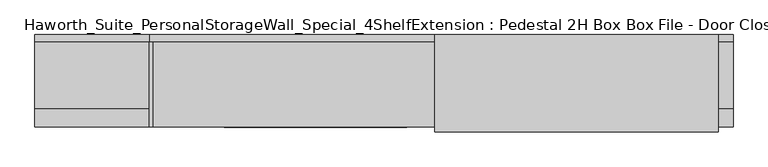
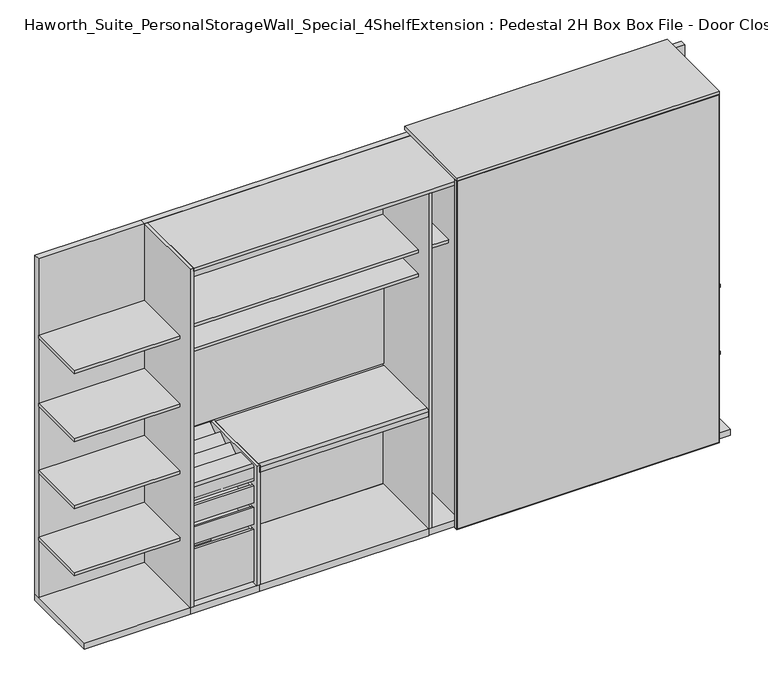
"""IFC4 building model written with IfcOpenShell, lengths in millimetres: furniture geometry, Haworth_Suite_PersonalStorageWall_Special_4ShelfExtension : Pedestal 2H Box Box File - Door Closed."""

from ifc_helpers import new_model, si_unit, point, frame, frame_2d, origin, origin_with_axes, place, context, project, spatial, polyline, circle_curve, trimmed, segment, composite_curve, outline, extrude, source, transform, mapped, element, save


def haworth_suite_personalstoragewall_special_4shelfextension_b0726835(model_context):
    return source(origin(), model_context, "Body", "SweptSolid", [
        extrude(outline(polyline([(1070.371875, -202.4059418), (-199.628125, -202.4059418), (-199.628125, -151.6059418), (1070.371875, -151.6059418), (1070.371875, -202.4059418)])), frame((0.0, 0.0, 1127.125), z_axis=(0.0, 0.0, 1.0), x_axis=(1.0, 0.0, 0.0)), (0.0, 0.0, 1.0), 711.2),
        extrude(outline(polyline([(2077.24375, -352.425), (0.0, -352.425), (1.5875, -350.8375), (2075.65625, -350.8375), (2077.24375, -352.425)])), frame((0.0, -622.3, 0.0), z_axis=(0.0, 1.0, 0.0), x_axis=(0.0, 0.0, 1.0)), (0.0, 0.0, 1.0), 19.05),
        extrude(outline(polyline([(2077.24375, 1128.7125), (2075.65625, 1127.125), (1.5875, 1127.125), (0.0, 1128.7125), (2077.24375, 1128.7125)])), frame((0.0, -622.3, 0.0), z_axis=(0.0, 1.0, 0.0), x_axis=(0.0, 0.0, 1.0)), (0.0, 0.0, 1.0), 19.05),
        extrude(outline(polyline([(2075.65625, -350.8375), (2075.65625, 1127.125), (2077.24375, 1128.7125), (2077.24375, -352.425), (2075.65625, -350.8375)])), frame((0.0, -622.3, 0.0), z_axis=(0.0, 1.0, 0.0), x_axis=(0.0, 0.0, 1.0)), (0.0, 0.0, 1.0), 19.05),
        extrude(outline(polyline([(1.5875, -350.8375), (0.0, -352.425), (0.0, 1128.7125), (1.5875, 1127.125), (1.5875, -350.8375)])), frame((0.0, -622.3, 0.0), z_axis=(0.0, 1.0, 0.0), x_axis=(0.0, 0.0, 1.0)), (0.0, 0.0, 1.0), 19.05),
        extrude(outline(polyline([(1127.125, -604.04375), (1127.125, -621.50625), (-350.8375, -621.50625), (-350.8375, -604.04375), (1127.125, -604.04375)])), frame((0.0, 0.0, 1.5875), z_axis=(0.0, 0.0, 1.0), x_axis=(1.0, 0.0, 0.0)), (0.0, 0.0, 1.0), 2074.06875),
        extrude(outline(polyline([(-1485.9, -567.5309387), (-1485.9, -186.5309387), (-1473.2, -186.5309387), (-1473.2, -567.5309387), (-1485.9, -567.5309387)])), frame((0.0, 0.0, 527.05), z_axis=(0.0, 0.0, 1.0), x_axis=(1.0, 0.0, 0.0)), (0.0, 0.0, 1.0), 101.6),
        extrude(outline(polyline([(-1822.45, -186.5309387), (-1809.75, -186.5309387), (-1809.75, -567.5309387), (-1822.45, -567.5309387), (-1822.45, -186.5309387)])), frame((0.0, 0.0, 527.05), z_axis=(0.0, 0.0, 1.0), x_axis=(1.0, 0.0, 0.0)), (0.0, 0.0, 1.0), 101.6),
        extrude(outline(polyline([(-1822.45, -186.5309387), (-1822.45, -173.8309387), (-1473.2, -173.8309387), (-1473.2, -186.5309387), (-1822.45, -186.5309387)])), frame((0.0, 0.0, 527.05), z_axis=(0.0, 0.0, 1.0), x_axis=(1.0, 0.0, 0.0)), (0.0, 0.0, 1.0), 101.6),
        extrude(outline(polyline([(-1822.45, -580.2309387), (-1822.45, -567.5309387), (-1473.2, -567.5309387), (-1473.2, -580.2309387), (-1822.45, -580.2309387)])), frame((0.0, 0.0, 527.05), z_axis=(0.0, 0.0, 1.0), x_axis=(1.0, 0.0, 0.0)), (0.0, 0.0, 1.0), 101.6),
        extrude(outline(polyline([(-1809.75, -567.5309387), (-1809.75, -186.5309387), (-1485.9, -186.5309387), (-1485.9, -567.5309387), (-1809.75, -567.5309387)])), frame((0.0, 0.0, 527.05), z_axis=(0.0, 0.0, 1.0), x_axis=(1.0, 0.0, 0.0)), (0.0, 0.0, 1.0), 12.7),
        extrude(outline(polyline([(-148.4309387, 749.3), (-147.2970101, 748.1660714), (-248.8970101, 671.9660714), (-250.0309387, 673.1), (-148.4309387, 749.3)])), frame((-1822.45, 0.0, 0.0), z_axis=(1.0, 0.0, 0.0), x_axis=(0.0, 1.0, 0.0)), (0.0, 0.0, 1.0), 349.25),
        extrude(outline(polyline([(-351.6309387, 749.3), (-350.4970101, 748.1660714), (-452.0970101, 671.9660714), (-453.2309387, 673.1), (-351.6309387, 749.3)])), frame((-1822.45, 0.0, 0.0), z_axis=(1.0, 0.0, 0.0), x_axis=(0.0, 1.0, 0.0)), (0.0, 0.0, 1.0), 349.25),
        extrude(outline(polyline([(0.0, -127.0), (0.0, 0.0), (349.25, 0.0), (349.25, -127.0), (0.0, -127.0)])), frame((-1822.45, -249.0784387, 748.03), z_axis=(0.0, -0.5999999999999731, 0.8000000000000203), x_axis=(1.0, 0.0, 0.0)), (0.0, 0.0, 1.0), 1.5875),
        extrude(outline(polyline([(-1822.45, -578.6434387), (-1822.45, -148.4309387), (-1473.2, -148.4309387), (-1473.2, -578.6434387), (-1822.45, -578.6434387)])), frame((0.0, 0.0, 657.225), z_axis=(0.0, 0.0, 1.0), x_axis=(1.0, 0.0, 0.0)), (0.0, 0.0, 1.0), 15.875),
        extrude(outline(composite_curve([segment(trimmed(circle_curve(frame_2d((-567.5309387, 738.1875)), 12.7), [point((-580.2309387, 738.1875))], [point((-567.5309387, 750.8875))], False, "CARTESIAN"), True, "CONTINUOUS"), segment(polyline([(-567.5309387, 750.8875), (-453.2309387, 750.8875), (-453.2309387, 749.3), (-567.5309387, 749.3)]), True, "CONTINUOUS"), segment(trimmed(circle_curve(frame_2d((-567.5309387, 738.1875)), 11.1125), [point((-567.5309387, 749.3))], [point((-578.6434387, 738.1875))], True, "CARTESIAN"), True, "CONTINUOUS"), segment(polyline([(-578.6434387, 738.1875), (-578.6434387, 657.225), (-580.2309387, 657.225), (-580.2309387, 738.1875)]), True, "CONTINUOUS")], self_intersect=False)), frame((-1822.45, 0.0, 0.0), z_axis=(1.0, 0.0, 0.0), x_axis=(0.0, 1.0, 0.0)), (0.0, 0.0, 1.0), 349.25),
        extrude(outline(polyline([(-304.4825, 720.725), (-304.4825, 479.425), (-153.9875, 479.425), (-153.9875, 504.825), (-152.4, 504.825), (-152.4, 477.8375), (-306.07, 477.8375), (-306.07, 719.1375), (-329.8825, 719.1375), (-329.8825, 720.725), (-304.4825, 720.725)])), frame((-1449.387527, 0.0, 0.0), z_axis=(1.0, 0.0, 0.0), x_axis=(0.0, 1.0, 0.0)), (0.0, 0.0, 1.0), 952.5),
        extrude(outline(polyline([(-598.4875, 0.0), (-598.4875, 39.6875), (-152.4, 39.6875), (-152.4, 38.1), (-596.9, 38.1), (-596.9, 0.0), (-598.4875, 0.0)])), frame((-1449.387527, 0.0, 0.0), z_axis=(1.0, 0.0, 0.0), x_axis=(0.0, 1.0, 0.0)), (0.0, 0.0, 1.0), 952.5),
        extrude(outline(composite_curve([segment(trimmed(circle_curve(frame_2d((-582.6125, 738.1875)), 12.7), [point((-595.3125, 738.1875))], [point((-582.6125, 750.8875))], False, "CARTESIAN"), True, "CONTINUOUS"), segment(polyline([(-582.6125, 750.8875), (-163.5125, 750.8875), (-163.5125, 749.3), (-582.6125, 749.3)]), True, "CONTINUOUS"), segment(trimmed(circle_curve(frame_2d((-582.6125, 738.1875)), 11.1125), [point((-582.6125, 749.3))], [point((-593.725, 738.1875))], True, "CARTESIAN"), True, "CONTINUOUS"), segment(polyline([(-593.725, 738.1875), (-593.725, 708.025), (-595.3125, 708.025), (-595.3125, 738.1875)]), True, "CONTINUOUS")], self_intersect=False)), frame((-1449.387527, 0.0, 0.0), z_axis=(1.0, 0.0, 0.0), x_axis=(0.0, 1.0, 0.0)), (0.0, 0.0, 1.0), 952.5),
        extrude(outline(polyline([(-1485.9, -567.5309387), (-1485.9, -186.5309387), (-1473.2, -186.5309387), (-1473.2, -567.5309387), (-1485.9, -567.5309387)])), frame((0.0, 0.0, 396.875), z_axis=(0.0, 0.0, 1.0), x_axis=(1.0, 0.0, 0.0)), (0.0, 0.0, 1.0), 101.6),
        extrude(outline(polyline([(-1822.45, -186.5309387), (-1809.75, -186.5309387), (-1809.75, -567.5309387), (-1822.45, -567.5309387), (-1822.45, -186.5309387)])), frame((0.0, 0.0, 396.875), z_axis=(0.0, 0.0, 1.0), x_axis=(1.0, 0.0, 0.0)), (0.0, 0.0, 1.0), 101.6),
        extrude(outline(polyline([(-1822.45, -186.5309387), (-1822.45, -173.8309387), (-1473.2, -173.8309387), (-1473.2, -186.5309387), (-1822.45, -186.5309387)])), frame((0.0, 0.0, 396.875), z_axis=(0.0, 0.0, 1.0), x_axis=(1.0, 0.0, 0.0)), (0.0, 0.0, 1.0), 101.6),
        extrude(outline(polyline([(-1822.45, -580.2309387), (-1822.45, -567.5309387), (-1473.2, -567.5309387), (-1473.2, -580.2309387), (-1822.45, -580.2309387)])), frame((0.0, 0.0, 396.875), z_axis=(0.0, 0.0, 1.0), x_axis=(1.0, 0.0, 0.0)), (0.0, 0.0, 1.0), 101.6),
        extrude(outline(polyline([(-1809.75, -567.5309387), (-1809.75, -186.5309387), (-1485.9, -186.5309387), (-1485.9, -567.5309387), (-1809.75, -567.5309387)])), frame((0.0, 0.0, 396.875), z_axis=(0.0, 0.0, 1.0), x_axis=(1.0, 0.0, 0.0)), (0.0, 0.0, 1.0), 12.7),
        extrude(outline(polyline([(-1485.9, -567.5309387), (-1485.9, -186.5309387), (-1473.2, -186.5309387), (-1473.2, -567.5309387), (-1485.9, -567.5309387)])), frame((0.0, 0.0, 57.15), z_axis=(0.0, 0.0, 1.0), x_axis=(1.0, 0.0, 0.0)), (0.0, 0.0, 1.0), 311.15),
        extrude(outline(polyline([(-1822.45, -186.5309387), (-1809.75, -186.5309387), (-1809.75, -567.5309387), (-1822.45, -567.5309387), (-1822.45, -186.5309387)])), frame((0.0, 0.0, 57.15), z_axis=(0.0, 0.0, 1.0), x_axis=(1.0, 0.0, 0.0)), (0.0, 0.0, 1.0), 311.15),
        extrude(outline(polyline([(-1822.45, -186.5309387), (-1822.45, -173.8309387), (-1473.2, -173.8309387), (-1473.2, -186.5309387), (-1822.45, -186.5309387)])), frame((0.0, 0.0, 57.15), z_axis=(0.0, 0.0, 1.0), x_axis=(1.0, 0.0, 0.0)), (0.0, 0.0, 1.0), 311.15),
        extrude(outline(polyline([(-1822.45, -580.2309387), (-1822.45, -567.5309387), (-1473.2, -567.5309387), (-1473.2, -580.2309387), (-1822.45, -580.2309387)])), frame((0.0, 0.0, 57.15), z_axis=(0.0, 0.0, 1.0), x_axis=(1.0, 0.0, 0.0)), (0.0, 0.0, 1.0), 311.15),
        extrude(outline(polyline([(-1809.75, -567.5309387), (-1809.75, -186.5309387), (-1485.9, -186.5309387), (-1485.9, -567.5309387), (-1809.75, -567.5309387)])), frame((0.0, 0.0, 57.15), z_axis=(0.0, 0.0, 1.0), x_axis=(1.0, 0.0, 0.0)), (0.0, 0.0, 1.0), 12.7),
        extrude(outline(polyline([(-1841.5, -149.5975372), (-1841.5, -498.475), (-2439.0788456, -498.475), (-2439.0788456, -149.5975372), (-1841.5, -149.5975372)])), frame((0.0, 0.0, 1583.53125), z_axis=(0.0, 0.0, 1.0), x_axis=(1.0, 0.0, 0.0)), (0.0, 0.0, 1.0), 18.25625),
        extrude(outline(polyline([(-1841.5, -149.5975372), (-1841.5, -498.475), (-2439.0788456, -498.475), (-2439.0788456, -149.5975372), (-1841.5, -149.5975372)])), frame((0.0, 0.0, 1177.925), z_axis=(0.0, 0.0, 1.0), x_axis=(1.0, 0.0, 0.0)), (0.0, 0.0, 1.0), 18.25625),
        extrude(outline(polyline([(-1841.5, -149.5975372), (-1841.5, -498.475), (-2439.0788456, -498.475), (-2439.0788456, -149.5975372), (-1841.5, -149.5975372)])), frame((0.0, 0.0, 778.66875), z_axis=(0.0, 0.0, 1.0), x_axis=(1.0, 0.0, 0.0)), (0.0, 0.0, 1.0), 18.25625),
        extrude(outline(polyline([(-1841.5, -149.5975372), (-1841.5, -498.475), (-2439.0788456, -498.475), (-2439.0788456, -149.5975372), (-1841.5, -149.5975372)])), frame((0.0, 0.0, 778.66875), z_axis=(0.0, 0.0, 1.0), x_axis=(1.0, 0.0, 0.0)), (0.0, 0.0, 1.0), 18.25625),
        extrude(outline(polyline([(-1841.5, -149.5975372), (-1841.5, -498.475), (-2439.0788456, -498.475), (-2439.0788456, -149.5975372), (-1841.5, -149.5975372)])), frame((0.0, 0.0, 379.4125), z_axis=(0.0, 0.0, 1.0), x_axis=(1.0, 0.0, 0.0)), (0.0, 0.0, 1.0), 18.25625),
        extrude(outline(polyline([(-1841.5, -114.3), (-1841.5, -149.5975372), (-2439.0788456, -149.5975372), (-2439.0788456, -114.3), (-1841.5, -114.3)])), frame((0.0, 0.0, 38.1), z_axis=(0.0, 0.0, 1.0), x_axis=(1.0, 0.0, 0.0)), (0.0, 0.0, 1.0), 2020.09375),
        extrude(outline(polyline([(-1841.5, -114.3), (-1841.5, -596.9), (-2439.0788456, -596.9), (-2439.0788456, -114.3), (-1841.5, -114.3)])), origin_with_axes(), (0.0, 0.0, 1.0), 38.1),
        extrude(outline(polyline([(2058.19375, 1206.5), (2058.19375, -1841.5), (38.1, -1841.5), (38.1, 1206.5), (2058.19375, 1206.5)]), holes=[polyline([(161.0999959, -1771.6000015), (567.4999898, -1771.6000015), (567.4999898, -1568.3999909), (161.0999959, -1568.3999909), (161.0999959, -1771.6000015)]), polyline([(504.000014, -1238.2500121), (504.000014, -1435.0999879), (643.7000261, -1435.0999879), (643.7000261, -1238.2500121), (504.000014, -1238.2500121)])]), frame((0.0, -149.5975372, 0.0), z_axis=(0.0, 1.0, 0.0), x_axis=(0.0, 0.0, 1.0)), (0.0, 0.0, 1.0), 35.2975372),
        extrude(outline(polyline([(-327.025, -149.5975372), (-327.025, -596.9), (-1822.45, -596.9), (-1822.45, -149.5975372), (-327.025, -149.5975372)])), frame((0.0, 0.0, 2039.14375), z_axis=(0.0, 0.0, 1.0), x_axis=(1.0, 0.0, 0.0)), (0.0, 0.0, 1.0), 19.05),
        extrude(outline(polyline([(-307.2032339, -596.9), (-326.2532339, -596.9), (-326.2532339, -149.5975372), (-307.2032339, -149.5975372), (-307.2032339, -596.9)])), frame((0.0, 0.0, 38.1), z_axis=(0.0, 0.0, 1.0), x_axis=(1.0, 0.0, 0.0)), (0.0, 0.0, 1.0), 2020.09375),
        extrude(outline(polyline([(-326.2532339, -149.5975372), (-326.2532339, -498.475), (-477.8375, -498.475), (-477.8375, -149.5975372), (-326.2532339, -149.5975372)])), frame((0.0, 0.0, 1627.1875), z_axis=(0.0, 0.0, 1.0), x_axis=(1.0, 0.0, 0.0)), (0.0, 0.0, 1.0), 18.2561531),
        extrude(outline(polyline([(-1822.45, -596.9), (-1841.5, -596.9), (-1841.5, -149.5975372), (-1822.45, -149.5975372), (-1822.45, -596.9)])), frame((0.0, 0.0, 38.1), z_axis=(0.0, 0.0, 1.0), x_axis=(1.0, 0.0, 0.0)), (0.0, 0.0, 1.0), 2020.09375),
        extrude(outline(polyline([(-496.8875, -149.5975372), (-496.8875, -163.5125), (-1809.75, -163.5125), (-1809.75, -149.5975372), (-496.8875, -149.5975372)])), frame((0.0, 0.0, 764.4777447), z_axis=(0.0, 0.0, 1.0), x_axis=(1.0, 0.0, 0.0)), (0.0, 0.0, 1.0), 701.1622827),
        extrude(outline(polyline([(-496.8875, -149.5975372), (-496.8875, -498.475), (-1822.45, -498.475), (-1822.45, -149.5975372), (-496.8875, -149.5975372)])), frame((0.0, 0.0, 1481.93125), z_axis=(0.0, 0.0, 1.0), x_axis=(1.0, 0.0, 0.0)), (0.0, 0.0, 1.0), 18.2562984),
        extrude(outline(polyline([(-496.8875, -149.5975372), (-496.8875, -498.475), (-1822.45, -498.475), (-1822.45, -149.5975372), (-496.8875, -149.5975372)])), frame((0.0, 0.0, 1627.1875), z_axis=(0.0, 0.0, 1.0), x_axis=(1.0, 0.0, 0.0)), (0.0, 0.0, 1.0), 18.2561531),
        extrude(outline(polyline([(1206.5, -149.5975372), (1206.5, -498.475), (-307.2032339, -498.475), (-307.2032339, -149.5975372), (1206.5, -149.5975372)])), frame((0.0, 0.0, 823.6154732), z_axis=(0.0, 0.0, 1.0), x_axis=(1.0, 0.0, 0.0)), (0.0, 0.0, 1.0), 18.25625),
        extrude(outline(polyline([(1206.5, -149.5975372), (1206.5, -498.475), (-307.2032339, -498.475), (-307.2032339, -149.5975372), (1206.5, -149.5975372)])), frame((0.0, 0.0, 424.3592232), z_axis=(0.0, 0.0, 1.0), x_axis=(1.0, 0.0, 0.0)), (0.0, 0.0, 1.0), 18.25625),
        extrude(outline(polyline([(1128.7125, -114.3), (1128.7125, -622.3), (-352.425, -622.3), (-352.425, -114.3), (1128.7125, -114.3)])), frame((0.0, 0.0, 2077.24375), z_axis=(0.0, 0.0, 1.0), x_axis=(1.0, 0.0, 0.0)), (0.0, 0.0, 1.0), 19.05),
        extrude(outline(polyline([(-1447.7995299, -596.9), (-1466.8495299, -596.9), (-1466.8495299, -149.5975372), (-1447.7995299, -149.5975372), (-1447.7995299, -596.9)])), frame((0.0, 0.0, 38.1), z_axis=(0.0, 0.0, 1.0), x_axis=(1.0, 0.0, 0.0)), (0.0, 0.0, 1.0), 712.7875),
        extrude(outline(polyline([(1206.5, -114.3), (1206.5, -596.9), (-1841.5, -596.9), (-1841.5, -114.3), (1206.5, -114.3)])), origin_with_axes(), (0.0, 0.0, 1.0), 38.1),
        extrude(outline(polyline([(-477.8375, -596.9), (-496.8875, -596.9), (-496.8875, -149.5975372), (-477.8375, -149.5975372), (-477.8375, -596.9)])), frame((0.0, 0.0, 38.1), z_axis=(0.0, 0.0, 1.0), x_axis=(1.0, 0.0, 0.0)), (0.0, 0.0, 1.0), 2001.04375),
    ])


if __name__ == "__main__":
    model = new_model("IFC4")
    model_context = context("Model", 3, world=origin())
    ifc_project = project(units=[si_unit("LENGTHUNIT", "METRE", prefix="MILLI")], contexts=[model_context])
    site = spatial("IfcSite", under=ifc_project)
    building = spatial("IfcBuilding", under=site)
    placement = place(None, origin())
    haworth_suite_personalstoragewall_special_4shelfextension_shape = haworth_suite_personalstoragewall_special_4shelfextension_b0726835(model_context)
    element("IfcFurniture", 1, ObjectType="Haworth_Suite_PersonalStorageWall_Special_4ShelfExtension : Pedestal 2H Box Box File - Door Closed", at=placement, inside=building, context=model_context, shape_type="MappedRepresentation", body=[
        mapped(haworth_suite_personalstoragewall_special_4shelfextension_shape, transform((0.0, 0.0, 0.0), x_axis=(1.0, 0.0, 0.0), y_axis=(0.0, 1.0, 0.0), z_axis=(0.0, 0.0, 1.0))),
    ])
    save(model, "model.ifc")
